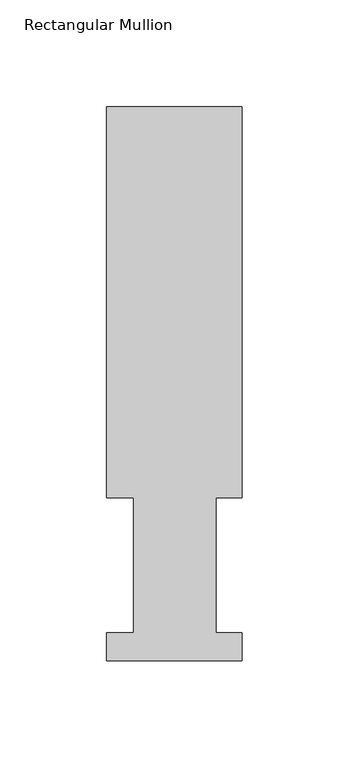
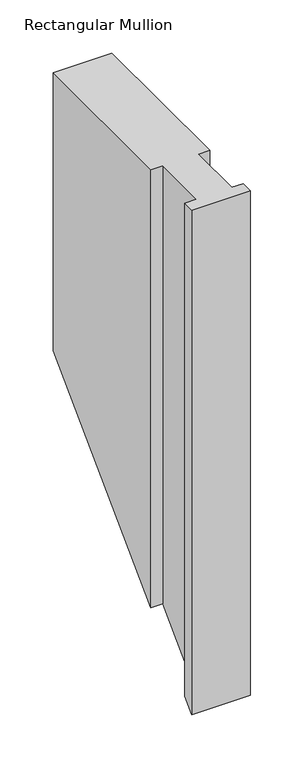
"""IFC4 building model written with IfcOpenShell, lengths in millimetres: member geometry, Rectangular Mullion."""

from ifc_helpers import new_model, si_unit, origin, place, context, project, spatial, faceted_brep, source, transform, mapped, element, save


def rectangular_mullion_e312acfc(model_context):
    return source(origin(), model_context, "Body", "Brep", [
        faceted_brep([(-63.5, 76.2992187, 0.0), (-50.8, 76.2992187, 0.0), (-50.8, 13.1492189, 0.0), (-63.5, 13.1492189, 0.0), (-63.5, -0.0333811, 0.0), (0.0, -0.0333811, 0.0), (0.0, 13.1492189, 0.0), (-12.3418395, 13.1492189, 0.0), (-12.3418395, 76.2992187, 0.0), (0.0, 76.2992187, 0.0), (0.0, 259.4591074, 0.0), (-63.5, 259.4591074, 0.0), (-63.5, 76.2992187, -501.5507812), (-50.8, 76.2992187, -501.5507812), (-50.8, 13.1492189, -564.7007811), (-63.5, 13.1492189, -564.7007811), (-63.5, -0.0333811, -577.8833811), (0.0, -0.0333811, -577.8833811), (0.0, 13.1492189, -564.7007811), (-12.3418395, 13.1492189, -564.7007811), (-12.3418395, 76.2992187, -501.5507812), (0.0, 76.2992187, -501.5507812), (0.0, 259.4591074, -318.3908926), (-63.5, 259.4591074, -318.3908926)], [[[0, 1, 2, 3, 4, 5, 6, 7, 8, 9, 10, 11]], [[1, 0, 12, 13]], [[2, 1, 13, 14]], [[3, 2, 14, 15]], [[4, 3, 15, 16]], [[5, 4, 16, 17]], [[6, 5, 17, 18]], [[7, 6, 18, 19]], [[8, 7, 19, 20]], [[9, 8, 20, 21]], [[10, 9, 21, 22]], [[11, 10, 22, 23]], [[0, 11, 23, 12]], [[12, 23, 22, 21, 20, 19, 18, 17, 16, 15, 14, 13]]]),
    ])


if __name__ == "__main__":
    model = new_model("IFC4")
    model_context = context("Model", 3, world=origin())
    ifc_project = project(units=[si_unit("LENGTHUNIT", "METRE", prefix="MILLI")], contexts=[model_context])
    site = spatial("IfcSite", under=ifc_project)
    building = spatial("IfcBuilding", under=site)
    placement = place(None, origin())
    rectangular_mullion_shape = rectangular_mullion_e312acfc(model_context)
    element("IfcMember", 1, ObjectType="Rectangular Mullion", at=placement, inside=building, context=model_context, shape_type="MappedRepresentation", body=[
        mapped(rectangular_mullion_shape, transform((0.0, 0.0, 0.0), x_axis=(1.0, 0.0, 0.0), y_axis=(0.0, 1.0, 0.0), z_axis=(0.0, 0.0, 1.0))),
    ])
    save(model, "model.ifc")
